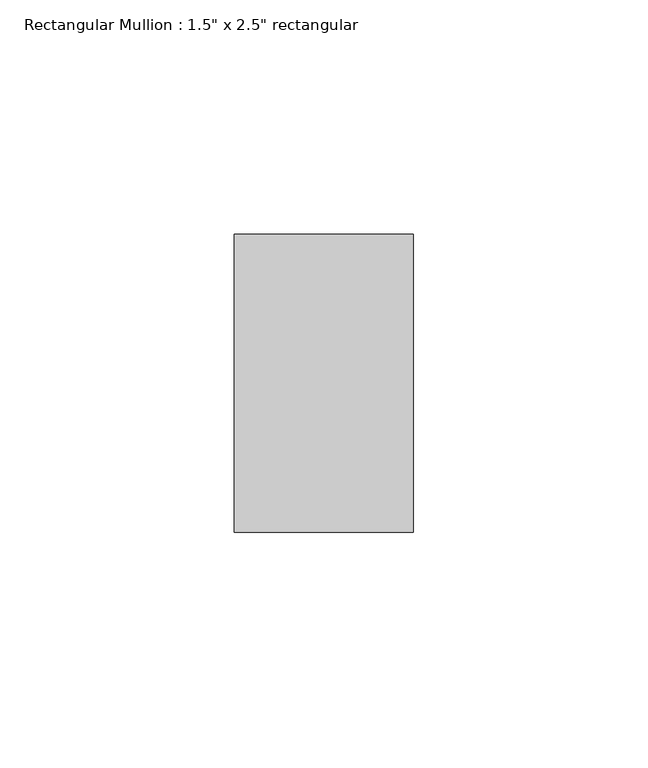
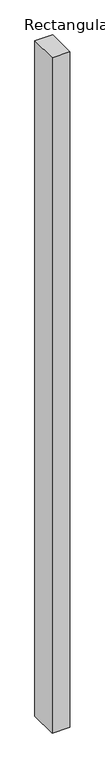
"""IFC4 building model written with IfcOpenShell, lengths in millimetres: member geometry."""

from ifc_helpers import new_model, si_unit, frame, origin, place, context, project, spatial, polyline, outline, extrude, source, transform, mapped, element, save


def member_ef438ec5(model_context):
    return source(origin(), model_context, "Body", "SweptSolid", [
        extrude(outline(polyline([(19.05, -19.05), (19.05, -82.55), (-19.05, -82.55), (-19.05, -19.05), (19.05, -19.05)])), frame((0.0, 0.0, -1524.0), z_axis=(0.0, 0.0, 1.0), x_axis=(1.0, 0.0, 0.0)), (0.0, 0.0, 1.0), 1524.0),
    ])


if __name__ == "__main__":
    model = new_model("IFC4")
    model_context = context("Model", 3, world=origin())
    ifc_project = project(units=[si_unit("LENGTHUNIT", "METRE", prefix="MILLI")], contexts=[model_context])
    site = spatial("IfcSite", under=ifc_project)
    building = spatial("IfcBuilding", under=site)
    placement = place(None, origin())
    member_shape = member_ef438ec5(model_context)
    element("IfcMember", 1, ObjectType="Rectangular Mullion : 1.5\" x 2.5\" rectangular", at=placement, inside=building, context=model_context, shape_type="MappedRepresentation", body=[
        mapped(member_shape, transform((0.0, 0.0, 0.0), x_axis=(1.0, 0.0, 0.0), y_axis=(0.0, 1.0, 0.0), z_axis=(0.0, 0.0, 1.0))),
    ])
    save(model, "model.ifc")
